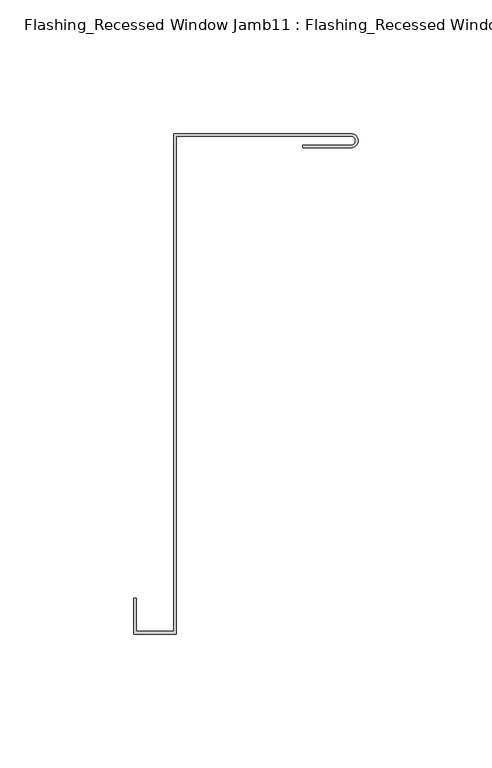
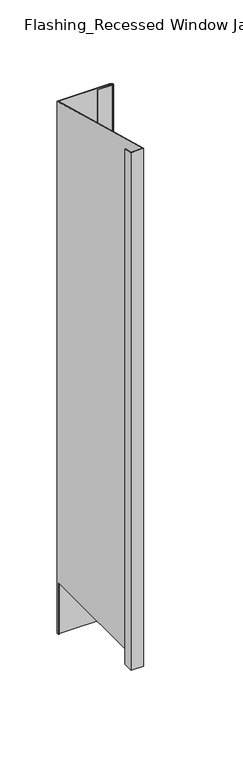
"""IFC4 building model written with IfcOpenShell, lengths in millimetres: proxy geometry, Flashing_Recessed Window Jamb11 : Flashing_Recessed Window Jamb."""

from ifc_helpers import new_model, si_unit, frame, origin, place, context, project, spatial, polyline, circle_curve, ellipse_curve, source, transform, mapped, element, save
from ifc_brep_helpers import plane_surface, cylinder_surface, revolved_surface, advanced_brep


def flashing_recessed_window_jamb11_flashing_recessed_window_21c44d3e(model_context):
    return source(origin(), model_context, "Body", "AdvancedBrep", [
        advanced_brep(
        [(17492.8541786, 10657.7344915, -1055.1751138), (17427.4791786, 10657.7344915, -1055.1751138), (17427.4791786, 10656.8026399, -1055.1751138), (17426.4791786, 10656.8026399, -1055.1751138), (17426.4791786, 10658.7344915, -1055.1751138), (17492.8541786, 10658.7344915, -1055.1751138), (17492.8541786, 10653.3927596, -1055.1751138), (17492.6107823, 10653.3927596, -1055.1751138), (17492.6107823, 10654.3927596, -1055.1751138), (17492.8541786, 10654.3927596, -1055.1751138), (17426.4791786, 10658.7344915, -343.2151173), (17492.8541786, 10658.7344915, -343.2151173), (17426.4791786, 10656.8026399, -985.662203), (17426.4791786, 10472.3615096, -985.662203), (17426.4791786, 10472.3615096, -293.2766273), (17412.4791786, 10472.3615096, -293.2766273), (17412.4791786, 10472.3615096, -985.662203), (17412.4791786, 10484.6872381, -296.5792963), (17412.4791786, 10484.6872381, -985.662203), (17411.4791786, 10484.6872381, -296.5792963), (17411.4791786, 10484.6872381, -985.662203), (17411.4791786, 10471.3615096, -293.0086781), (17411.4791786, 10471.3615096, -985.662203), (17427.4791786, 10471.3615096, -293.0086781), (17427.4791786, 10471.3615096, -985.662203), (17427.4791786, 10657.7344915, -342.9471681), (17427.4791786, 10656.8026399, -985.662203), (17492.8541786, 10657.7344915, -342.9471681), (17492.8541786, 10653.3927596, -341.7838046), (17474.8224725, 10653.3927596, -341.7838046), (17474.8224725, 10653.3927596, -985.662203), (17492.6107823, 10653.3927596, -985.662203), (17474.8224725, 10654.3927596, -342.0517537), (17474.8224725, 10654.3927596, -985.662203), (17492.8541786, 10654.3927596, -342.0517537), (17492.6107823, 10654.3927596, -985.662203)],
        [
            (0, 1),
            (1, 2),
            (2, 3),
            (3, 4),
            (4, 5),
            (5, 6, circle_curve(frame((17492.8541786, 10656.0636256, -1055.1751138), z_axis=(0.0, 0.0, -1.0), x_axis=(1.0, 0.0, 0.0)), 2.670866)),
            (6, 7),
            (7, 8),
            (8, 9),
            (9, 0, circle_curve(frame((17492.8541786, 10656.0636256, -1055.1751138), z_axis=(0.0, 0.0, 1.0), x_axis=(1.0, 0.0, 0.0)), 1.670866)),
            (4, 10),
            (10, 11),
            (11, 5),
            (3, 12),
            (12, 13),
            (13, 14),
            (14, 10),
            (15, 14),
            (13, 16),
            (16, 15),
            (17, 15),
            (16, 18),
            (18, 17),
            (19, 17),
            (18, 20),
            (20, 19),
            (21, 19),
            (20, 22),
            (22, 21),
            (23, 21),
            (22, 24),
            (24, 23),
            (1, 25),
            (25, 23),
            (24, 26),
            (26, 2),
            (0, 27),
            (27, 25),
            (6, 28),
            (28, 29),
            (29, 30),
            (30, 31),
            (31, 7),
            (29, 32),
            (32, 33),
            (33, 30),
            (34, 9),
            (8, 35),
            (35, 33),
            (32, 34),
            (34, 27, ellipse_curve(frame((17492.8541786, 10656.0636256, -342.4994609), z_axis=(0.0, 0.2588190451025206, 0.9659258262890683), x_axis=(0.0, 0.9659258262890683, -0.25881904510252063)), 1.7298077, 1.670866)),
            (11, 28, ellipse_curve(frame((17492.8541786, 10656.0636256, -342.4994609), z_axis=(0.0, -0.2588190451025206, -0.9659258262890683), x_axis=(0.0, -0.9659258262890683, 0.25881904510252063)), 2.7650839, 2.670866)),
            (12, 26),
            (35, 31),
        ],
        [
            plane_surface(frame((17411.4791786, 10472.3615096, -1055.1751138), z_axis=(0.0, 0.0, -1.0), x_axis=(1.0, 0.0, 0.0))),
            plane_surface(frame((17492.8541786, 10658.7344915, -277.6721404), z_axis=(0.0, 1.0, 0.0), x_axis=(0.0, 0.0, -1.0))),
            plane_surface(frame((17426.4791786, 10658.7344915, -277.6721404), z_axis=(-1.0, 0.0, 0.0), x_axis=(0.0, 0.0, -1.0))),
            plane_surface(frame((17426.4791786, 10472.3615096, -277.6721404), z_axis=(0.0, 1.0, 0.0), x_axis=(0.0, 0.0, -1.0))),
            plane_surface(frame((17412.4791786, 10472.3615096, -277.6721404), z_axis=(1.0, 0.0, 0.0), x_axis=(0.0, 0.0, -1.0))),
            plane_surface(frame((17412.4791786, 10484.6872381, -277.6721404), z_axis=(0.0, 1.0, 0.0), x_axis=(0.0, 0.0, -1.0))),
            plane_surface(frame((17411.4791786, 10484.6872381, -277.6721404), z_axis=(-1.0, 0.0, 0.0), x_axis=(0.0, 0.0, -1.0))),
            plane_surface(frame((17411.4791786, 10471.3615096, -277.6721404), z_axis=(0.0, -1.0, 0.0), x_axis=(0.0, 0.0, -1.0))),
            plane_surface(frame((17427.4791786, 10471.3615096, -277.6721404), z_axis=(1.0, 0.0, 0.0), x_axis=(0.0, 0.0, -1.0))),
            plane_surface(frame((17427.4791786, 10657.7344915, -277.6721404), z_axis=(0.0, -1.0, 0.0), x_axis=(0.0, 0.0, -1.0))),
            plane_surface(frame((17474.8224725, 10653.3927596, -277.6721404), z_axis=(0.0, -1.0, 0.0), x_axis=(0.0, 0.0, -1.0))),
            plane_surface(frame((17474.8224725, 10654.3927596, -277.6721404), z_axis=(-1.0, 0.0, 0.0), x_axis=(0.0, 0.0, -1.0))),
            plane_surface(frame((17492.8541786, 10654.3927596, -277.6721404), z_axis=(0.0, 1.0, 0.0), x_axis=(0.0, 0.0, -1.0))),
            revolved_surface(polyline([(17494.5250446, 10656.0636256, -1055.1751138), (17494.5250446, 10656.0636256, -342.05175370000006)]), (17492.8541786, 10656.0636256, -1055.1751138), (0.0, 0.0, -1.0)),
            cylinder_surface(frame((17492.8541786, 10656.0636256, -1055.1751138), z_axis=(0.0, 0.0, 1.0), x_axis=(1.0, 0.0, 0.0)), 2.670866),
            plane_surface(frame((17316.4791786, 10682.2658889, -349.5203362), z_axis=(0.0, 0.2588190451025206, 0.9659258262890683), x_axis=(1.0, 0.0, 0.0))),
            plane_surface(frame((17492.6107823, 10456.8026399, -985.662203), z_axis=(0.0, 0.0, -1.0), x_axis=(0.0, 1.0, 0.0))),
            plane_surface(frame((17492.6107823, 10456.8026399, -985.662203), z_axis=(-1.0, 0.0, 0.0), x_axis=(0.0, 0.0, -1.0))),
            plane_surface(frame((17492.6107823, 10656.8026399, -985.662203), z_axis=(0.0, -1.0, 0.0), x_axis=(0.0, 0.0, -1.0))),
        ],
        [
            (0, [[1, 2, 3, 4, 5, 6, 7, 8, 9, 10]]),
            (1, [[-5, 11, 12, 13]]),
            (2, [[-11, -4, 14, 15, 16, 17]]),
            (3, [[18, -16, 19, 20]]),
            (4, [[21, -20, 22, 23]]),
            (5, [[24, -23, 25, 26]]),
            (6, [[27, -26, 28, 29]]),
            (7, [[30, -29, 31, 32]]),
            (8, [[33, 34, -32, 35, 36, -2]]),
            (9, [[-1, 37, 38, -33]]),
            (10, [[39, 40, 41, 42, 43, -7]]),
            (11, [[44, 45, 46, -41]]),
            (12, [[47, -9, 48, 49, -45, 50]]),
            (13, [[-10, -47, 51, -37]]),
            (14, [[-6, -13, 52, -39]]),
            (15, [[-12, -17, -18, -21, -24, -27, -30, -34, -38, -51, -50, -44, -40, -52]]),
            (16, [[53, -35, -31, -28, -25, -22, -19, -15]]),
            (16, [[54, -42, -46, -49]]),
            (17, [[-54, -48, -8, -43]]),
            (18, [[-53, -14, -3, -36]]),
        ],
    ),
    ])


if __name__ == "__main__":
    model = new_model("IFC4")
    model_context = context("Model", 3, world=origin())
    ifc_project = project(units=[si_unit("LENGTHUNIT", "METRE", prefix="MILLI")], contexts=[model_context])
    site = spatial("IfcSite", under=ifc_project)
    building = spatial("IfcBuilding", under=site)
    placement = place(None, origin())
    flashing_recessed_window_jamb11_flashing_recessed_window_shape = flashing_recessed_window_jamb11_flashing_recessed_window_21c44d3e(model_context)
    element("IfcBuildingElementProxy", 1, Name="Flashing_Recessed Window Jamb11 : Flashing_Recessed Window Jamb", ObjectType="Flashing_Recessed Window Jamb11 : Flashing_Recessed Window Jamb", at=placement, inside=building, context=model_context, shape_type="MappedRepresentation", body=[
        mapped(flashing_recessed_window_jamb11_flashing_recessed_window_shape, transform((0.0, 0.0, 0.0), x_axis=(1.0, 0.0, 0.0), y_axis=(0.0, 1.0, 0.0), z_axis=(0.0, 0.0, 1.0))),
    ])
    save(model, "model.ifc")
